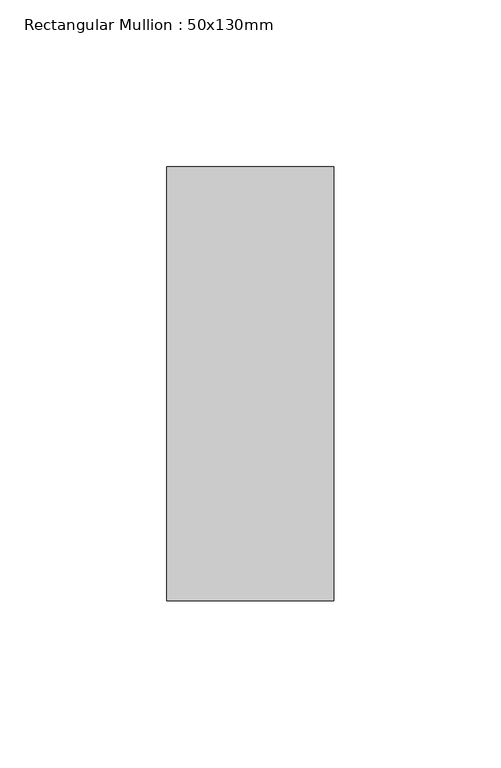
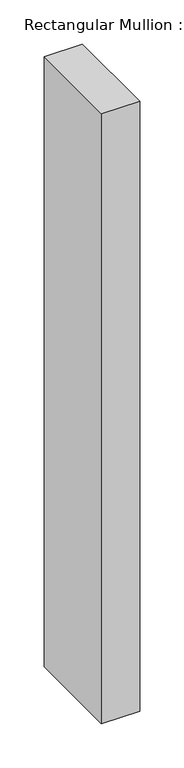
"""IFC4 building model written with IfcOpenShell, lengths in millimetres: member geometry, Rectangular Mullion : 50x130mm."""

from ifc_helpers import new_model, si_unit, frame, origin, place, context, project, spatial, polyline, outline, extrude, source, transform, mapped, element, save


def rectangular_mullion_50x130mm_353fbb13(model_context):
    return source(origin(), model_context, "Body", "SweptSolid", [
        extrude(outline(polyline([(0.0, 65.0), (0.0, -65.0), (-50.0, -65.0), (-50.0, 65.0), (0.0, 65.0)])), frame((0.0, 0.0, -845.0), z_axis=(0.0, 0.0, 1.0), x_axis=(1.0, 0.0, 0.0)), (0.0, 0.0, 1.0), 845.0),
    ])


if __name__ == "__main__":
    model = new_model("IFC4")
    model_context = context("Model", 3, world=origin())
    ifc_project = project(units=[si_unit("LENGTHUNIT", "METRE", prefix="MILLI")], contexts=[model_context])
    site = spatial("IfcSite", under=ifc_project)
    building = spatial("IfcBuilding", under=site)
    placement = place(None, origin())
    rectangular_mullion_50x130mm_shape = rectangular_mullion_50x130mm_353fbb13(model_context)
    element("IfcMember", 1, ObjectType="Rectangular Mullion : 50x130mm", at=placement, inside=building, context=model_context, shape_type="MappedRepresentation", body=[
        mapped(rectangular_mullion_50x130mm_shape, transform((0.0, 0.0, 0.0), x_axis=(1.0, 0.0, 0.0), y_axis=(0.0, 1.0, 0.0), z_axis=(0.0, 0.0, 1.0))),
    ])
    save(model, "model.ifc")
